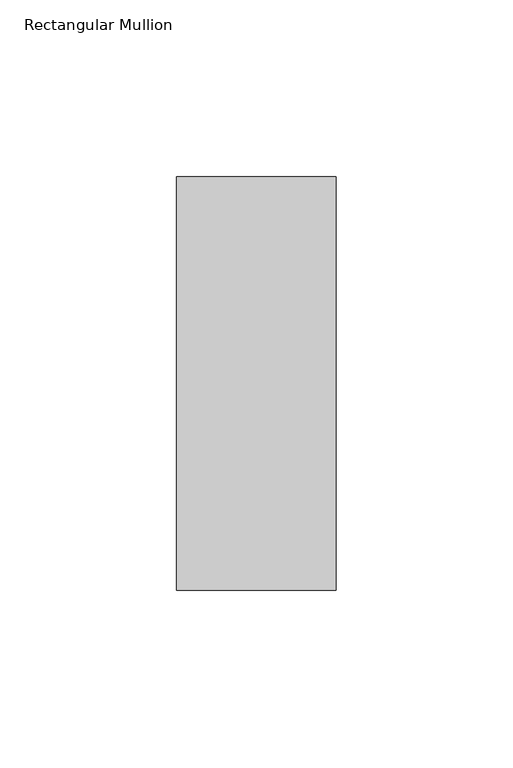
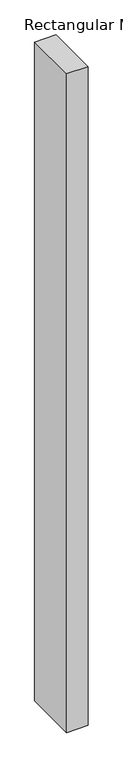
"""IFC4 building model written with IfcOpenShell, lengths in millimetres: member geometry, Rectangular Mullion."""

import ifcopenshell
import ifcopenshell.guid

model = None  # the IFC model being written
_history = None  # IfcOwnerHistory: only IFC2X3 demands one
_inside = {}  # id of a spatial element -> (the spatial element, [elements in it])
_under = {}  # id of a project, library or spatial element -> (it, [spatial elements below it])
_declared = {}  # id of a project -> (the project, [libraries it declares])
_typed = {}  # id of a type object -> (the type object, [elements of that type])
_made_of = {}  # id of a material, layer set ... -> (it, [elements and type objects made of it])


def new_model(schema):
    """Start an empty IFC model of exactly this schema.

    Asked for "IFC4X3", IfcOpenShell would pick the latest addendum, in which some entities
    have other attributes; the version numbers below select the first issue.
    IFC2X3 requires an IfcOwnerHistory on every rooted entity: one is made here for all.
    """
    global model, _history
    if schema == "IFC4X3":
        model = ifcopenshell.file(schema_version=(4, 3, 0, 0))
    else:
        model = ifcopenshell.file(schema=schema)
    _inside.clear()
    _under.clear()
    _declared.clear()
    _typed.clear()
    _made_of.clear()
    _history = None
    if model.schema == "IFC2X3":
        org = make("IfcOrganization", Name="unknown")
        user = make(
            "IfcPersonAndOrganization",
            ThePerson=make("IfcPerson", FamilyName="unknown"),
            TheOrganization=org,
        )
        app = make(
            "IfcApplication",
            ApplicationDeveloper=org,
            Version="unknown",
            ApplicationFullName="unknown",
            ApplicationIdentifier="unknown",
        )
        _history = make(
            "IfcOwnerHistory",
            OwningUser=user,
            OwningApplication=app,
            ChangeAction="ADDED",
            CreationDate=0,
        )
    return model


def make(cls, **values):
    """One entity of the class cls with the attributes given. An attribute that is None is left unset."""
    return model.create_entity(
        cls, **{name: value for name, value in values.items() if value is not None}
    )


def rooted(cls, **values):
    """An entity with a GlobalId (a new one), such as an element, a storey or a relation."""
    return make(cls, GlobalId=ifcopenshell.guid.new(), OwnerHistory=_history, **values)


def si_unit(unit_type, name, prefix=None):
    """IfcSIUnit, for example si_unit("LENGTHUNIT", "METRE", prefix="MILLI")."""
    return make("IfcSIUnit", UnitType=unit_type, Prefix=prefix, Name=name)


def assignment(units):
    """IfcUnitAssignment: the units of a project."""
    return None if units is None else make("IfcUnitAssignment", Units=units)


def point(xyz):
    """IfcCartesianPoint."""
    return None if xyz is None else make("IfcCartesianPoint", Coordinates=xyz)


def direction(xyz):
    """IfcDirection."""
    return None if xyz is None else make("IfcDirection", DirectionRatios=xyz)


def frame(location, z_axis=None, x_axis=None):
    """IfcAxis2Placement3D, a coordinate frame: its origin and axes. An axis left out is left unset."""
    return make(
        "IfcAxis2Placement3D",
        Location=point(location),
        Axis=direction(z_axis),
        RefDirection=direction(x_axis),
    )


def origin():
    """The frame at (0, 0, 0) with its axes left unset."""
    return frame((0.0, 0.0, 0.0))


def place(relative_to, where):
    """IfcLocalPlacement: puts the frame where relative to a parent placement (None: the world)."""
    return make(
        "IfcLocalPlacement", PlacementRelTo=relative_to, RelativePlacement=where
    )


def context(
    kind, dimensions, precision=None, world=None, true_north=None, identifier=None
):
    """IfcGeometricRepresentationContext, for example the 3D "Model" context."""
    return make(
        "IfcGeometricRepresentationContext",
        ContextIdentifier=identifier,
        ContextType=kind,
        CoordinateSpaceDimension=dimensions,
        Precision=precision,
        WorldCoordinateSystem=world,
        TrueNorth=true_north,
    )


def project(units=None, contexts=None):
    """IfcProject with its units and contexts."""
    return rooted(
        "IfcProject",
        Name="project",
        RepresentationContexts=contexts,
        UnitsInContext=assignment(units),
    )


def spatial(cls, under=None, at=None, **own):
    """A site, building, storey or space (cls), placed at a placement, below another one or the project."""
    s = rooted(cls, ObjectPlacement=at, **own)
    if under is not None:
        _under.setdefault(under.id(), (under, []))[1].append(s)
    return s


def polyline(points):
    """IfcPolyline through the points."""
    return make("IfcPolyline", Points=[point(p) for p in points])


def outline(outer, holes=None, kind="AREA"):
    """IfcArbitraryClosedProfileDef: a profile drawn as a closed curve; with holes, ...WithVoids."""
    if holes is None:
        return make("IfcArbitraryClosedProfileDef", ProfileType=kind, OuterCurve=outer)
    return make(
        "IfcArbitraryProfileDefWithVoids",
        ProfileType=kind,
        OuterCurve=outer,
        InnerCurves=holes,
    )


def extrude(swept, where, along, depth):
    """IfcExtrudedAreaSolid: the profile swept, set in the frame where, extruded along a direction by depth."""
    return make(
        "IfcExtrudedAreaSolid",
        SweptArea=swept,
        Position=where,
        ExtrudedDirection=direction(along),
        Depth=depth,
    )


def shape(context_of_items, identifier, shape_type, items):
    """IfcShapeRepresentation: the items that make up one representation, for example the "Body"."""
    return make(
        "IfcShapeRepresentation",
        ContextOfItems=context_of_items,
        RepresentationIdentifier=identifier,
        RepresentationType=shape_type,
        Items=items,
    )


def source(mapping_origin, context_of_items, identifier, shape_type, items):
    """IfcRepresentationMap: a shape defined once, which mapped items show again and again."""
    return make(
        "IfcRepresentationMap",
        MappingOrigin=mapping_origin,
        MappedRepresentation=shape(context_of_items, identifier, shape_type, items),
    )


def transform(
    local_origin,
    x_axis=None,
    y_axis=None,
    z_axis=None,
    scale=None,
    scale2=None,
    scale3=None,
    uniform=True,
):
    """IfcCartesianTransformationOperator3D, or its non-uniform kind. x_axis, y_axis, z_axis: its Axis1, 2, 3."""
    if uniform:
        return make(
            "IfcCartesianTransformationOperator3D",
            Axis1=direction(x_axis),
            Axis2=direction(y_axis),
            LocalOrigin=point(local_origin),
            Scale=scale,
            Axis3=direction(z_axis),
        )
    return make(
        "IfcCartesianTransformationOperator3DnonUniform",
        Axis1=direction(x_axis),
        Axis2=direction(y_axis),
        LocalOrigin=point(local_origin),
        Scale=scale,
        Axis3=direction(z_axis),
        Scale2=scale2,
        Scale3=scale3,
    )


def mapped(mapping_source, mapping_target):
    """IfcMappedItem: shows the shape of a source again, moved by a transform."""
    return make(
        "IfcMappedItem", MappingSource=mapping_source, MappingTarget=mapping_target
    )


def made_of(thing, what):
    """Note that an element or type object is made of a material, layer set ...; save() writes the relation."""
    if what is not None:
        _made_of.setdefault(what.id(), (what, []))[1].append(thing)
    return thing


def element(
    cls,
    number,
    at=None,
    inside=None,
    cuts=None,
    type_object=None,
    material=None,
    context=None,
    identifier="Body",
    shape_type=None,
    held_by="IfcProductDefinitionShape",
    body=None,
    shapes=None,
    **own,
):
    """One element of the class cls, such as IfcWall. Its Tag is "e" and its number.

    at: its placement. inside: the storey or other place that contains it. cuts: it is an
    opening in that element (IfcRelVoidsElement). A single representation is given by context,
    identifier, shape_type and body (its items); several are given by shapes. held_by: the class
    of the entity that holds the representations. save() writes the other relations.
    """
    e = rooted(cls, Tag="e%d" % number, ObjectPlacement=at, **own)
    if body is not None:
        shapes = [shape(context, identifier, shape_type, body)]
    if shapes is not None:
        e.Representation = make(held_by, Representations=shapes)
    if inside is not None:
        _inside.setdefault(inside.id(), (inside, []))[1].append(e)
    if cuts is not None:
        rooted(
            "IfcRelVoidsElement", RelatingBuildingElement=cuts, RelatedOpeningElement=e
        )
    if type_object is not None:
        _typed.setdefault(type_object.id(), (type_object, []))[1].append(e)
    return made_of(e, material)


def aggregate(whole, parts):
    """IfcRelAggregates: a whole, such as a stair, and the parts it consists of."""
    return rooted("IfcRelAggregates", RelatingObject=whole, RelatedObjects=parts)


def save(model, path):
    """Write the relations noted so far, then the file.

    IfcRelAggregates (storeys below a building ...), IfcRelContainedInSpatialStructure (elements
    in a storey), IfcRelDefinesByType, IfcRelAssociatesMaterial and IfcRelDeclares: one each for
    every whole, place, type object, material and project.
    """
    for whole, parts in _under.values():
        aggregate(whole, parts)
    for where, things in _inside.values():
        rooted(
            "IfcRelContainedInSpatialStructure",
            RelatedElements=things,
            RelatingStructure=where,
        )
    for kind, things in _typed.values():
        rooted("IfcRelDefinesByType", RelatedObjects=things, RelatingType=kind)
    for what, things in _made_of.values():
        rooted("IfcRelAssociatesMaterial", RelatedObjects=things, RelatingMaterial=what)
    for by, libraries in _declared.values():
        rooted("IfcRelDeclares", RelatingContext=by, RelatedDefinitions=libraries)
    model.write(path)


def rectangular_mullion_18aebc5e(model_context):
    return source(origin(), model_context, "Body", "SweptSolid", [
        extrude(outline(polyline([(0.0, 73.875), (0.0, -42.8257813), (-45.0453125, -42.8257813), (-45.0453125, 73.875), (0.0, 73.875)])), frame((0.0, 0.0, -1463.6663238), z_axis=(0.0, 0.0, 1.0), x_axis=(1.0, 0.0, 0.0)), (0.0, 0.0, 1.0), 1463.6663238),
    ])


if __name__ == "__main__":
    model = new_model("IFC4")
    model_context = context("Model", 3, world=origin())
    ifc_project = project(units=[si_unit("LENGTHUNIT", "METRE", prefix="MILLI")], contexts=[model_context])
    site = spatial("IfcSite", under=ifc_project)
    building = spatial("IfcBuilding", under=site)
    placement = place(None, origin())
    rectangular_mullion_shape = rectangular_mullion_18aebc5e(model_context)
    element("IfcMember", 1, ObjectType="Rectangular Mullion", at=placement, inside=building, context=model_context, shape_type="MappedRepresentation", body=[
        mapped(rectangular_mullion_shape, transform((0.0, 0.0, 0.0), x_axis=(1.0, 0.0, 0.0), y_axis=(0.0, 1.0, 0.0), z_axis=(0.0, 0.0, 1.0))),
    ])
    save(model, "model.ifc")
